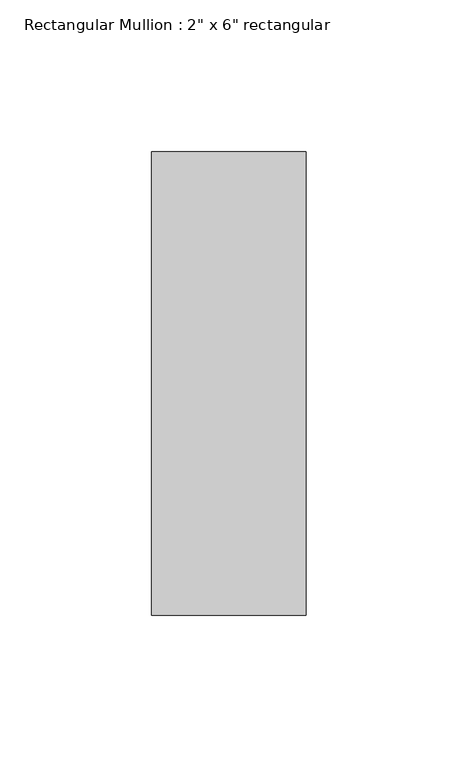
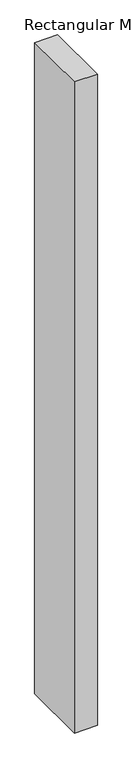
"""IFC4 building model written with IfcOpenShell, lengths in millimetres: member geometry."""

from ifc_helpers import new_model, si_unit, frame, origin, place, context, project, spatial, polyline, outline, extrude, source, transform, mapped, element, save


def member_7ad998f8(model_context):
    return source(origin(), model_context, "Body", "SweptSolid", [
        extrude(outline(polyline([(0.0, 76.2), (0.0, -76.2), (-50.8, -76.2), (-50.8, 76.2), (0.0, 76.2)])), frame((0.0, 0.0, -1524.449103), z_axis=(0.0, 0.0, 1.0), x_axis=(1.0, 0.0, 0.0)), (0.0, 0.0, 1.0), 1524.449103),
    ])


if __name__ == "__main__":
    model = new_model("IFC4")
    model_context = context("Model", 3, world=origin())
    ifc_project = project(units=[si_unit("LENGTHUNIT", "METRE", prefix="MILLI")], contexts=[model_context])
    site = spatial("IfcSite", under=ifc_project)
    building = spatial("IfcBuilding", under=site)
    placement = place(None, origin())
    member_shape = member_7ad998f8(model_context)
    element("IfcMember", 1, ObjectType="Rectangular Mullion : 2\" x 6\" rectangular", at=placement, inside=building, context=model_context, shape_type="MappedRepresentation", body=[
        mapped(member_shape, transform((0.0, 0.0, 0.0), x_axis=(1.0, 0.0, 0.0), y_axis=(0.0, 1.0, 0.0), z_axis=(0.0, 0.0, 1.0))),
    ])
    save(model, "model.ifc")
